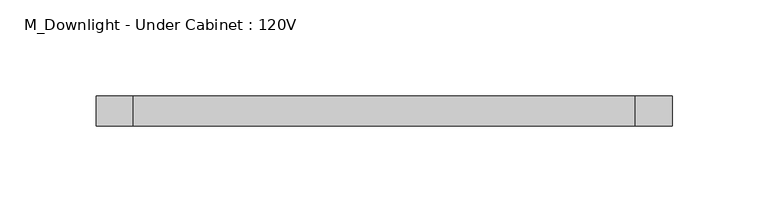
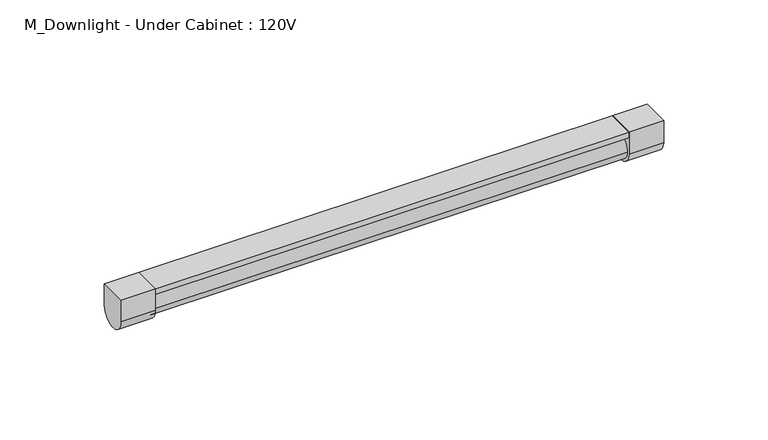
"""IFC4 building model written with IfcOpenShell, lengths in millimetres: light fixture geometry, M_Downlight - Under Cabinet : 120V."""

from ifc_helpers import new_model, si_unit, point, frame, frame_2d, origin, place, context, project, spatial, polyline, circle_curve, trimmed, segment, composite_curve, outline, extrude, source, transform, mapped, element, save


def m_downlight_under_cabinet_120v_7152f4e7(model_context):
    return source(origin(), model_context, "Body", "SweptSolid", [
        extrude(outline(composite_curve([segment(trimmed(circle_curve(frame_2d((0.0, 1337.3)), 6.35), [point((-6.35, 1337.3))], [point((6.35, 1337.3))], False, "CARTESIAN"), True, "CONTINUOUS"), segment(trimmed(circle_curve(frame_2d((0.0, 1337.3)), 6.35), [point((6.35, 1337.3))], [point((-6.35, 1337.3))], False, "CARTESIAN"), True, "CONTINUOUS")], self_intersect=False)), frame((-130.95, 0.0, 0.0), z_axis=(1.0, 0.0, 0.0), x_axis=(0.0, 1.0, 0.0)), (0.0, 0.0, 1.0), 261.9),
        extrude(outline(composite_curve([segment(polyline([(-7.9375, 1350.0), (7.9375, 1350.0), (7.9375, 1337.3)]), True, "CONTINUOUS"), segment(trimmed(circle_curve(frame_2d((0.0, 1337.3)), 7.9375), [point((7.9375, 1337.3))], [point((-7.9375, 1337.3))], False, "CARTESIAN"), True, "CONTINUOUS"), segment(polyline([(-7.9375, 1337.3), (-7.9375, 1350.0)]), True, "CONTINUOUS")], self_intersect=False)), frame((130.95, 0.0, 0.0), z_axis=(1.0, 0.0, 0.0), x_axis=(0.0, 1.0, 0.0)), (0.0, 0.0, 1.0), 19.05),
        extrude(outline(composite_curve([segment(polyline([(7.9375, 1350.0), (7.9375, 1337.3)]), True, "CONTINUOUS"), segment(trimmed(circle_curve(frame_2d((0.0, 1337.3)), 7.9375), [point((7.9375, 1337.3))], [point((-7.9375, 1337.3))], False, "CARTESIAN"), True, "CONTINUOUS"), segment(polyline([(-7.9375, 1337.3), (-7.9375, 1350.0), (7.9375, 1350.0)]), True, "CONTINUOUS")], self_intersect=False)), frame((-150.0, 0.0, 0.0), z_axis=(1.0, 0.0, 0.0), x_axis=(0.0, 1.0, 0.0)), (0.0, 0.0, 1.0), 19.05),
        extrude(outline(polyline([(130.95, 7.9375), (130.95, -7.9375), (-130.95, -7.9375), (-130.95, 7.9375), (130.95, 7.9375)])), frame((0.0, 0.0, 1346.7197499), z_axis=(0.0, 0.0, 1.0), x_axis=(1.0, 0.0, 0.0)), (0.0, 0.0, 1.0), 3.2802501),
    ])


if __name__ == "__main__":
    model = new_model("IFC4")
    model_context = context("Model", 3, world=origin())
    ifc_project = project(units=[si_unit("LENGTHUNIT", "METRE", prefix="MILLI")], contexts=[model_context])
    site = spatial("IfcSite", under=ifc_project)
    building = spatial("IfcBuilding", under=site)
    placement = place(None, origin())
    m_downlight_under_cabinet_120v_shape = m_downlight_under_cabinet_120v_7152f4e7(model_context)
    element("IfcLightFixture", 1, ObjectType="M_Downlight - Under Cabinet : 120V", at=placement, inside=building, context=model_context, shape_type="MappedRepresentation", body=[
        mapped(m_downlight_under_cabinet_120v_shape, transform((0.0, 0.0, 0.0), x_axis=(1.0, 0.0, 0.0), y_axis=(0.0, 1.0, 0.0), z_axis=(0.0, 0.0, 1.0))),
    ])
    save(model, "model.ifc")
